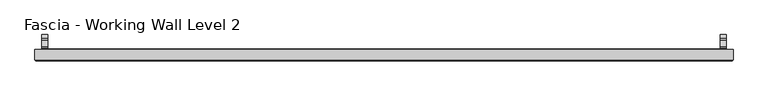
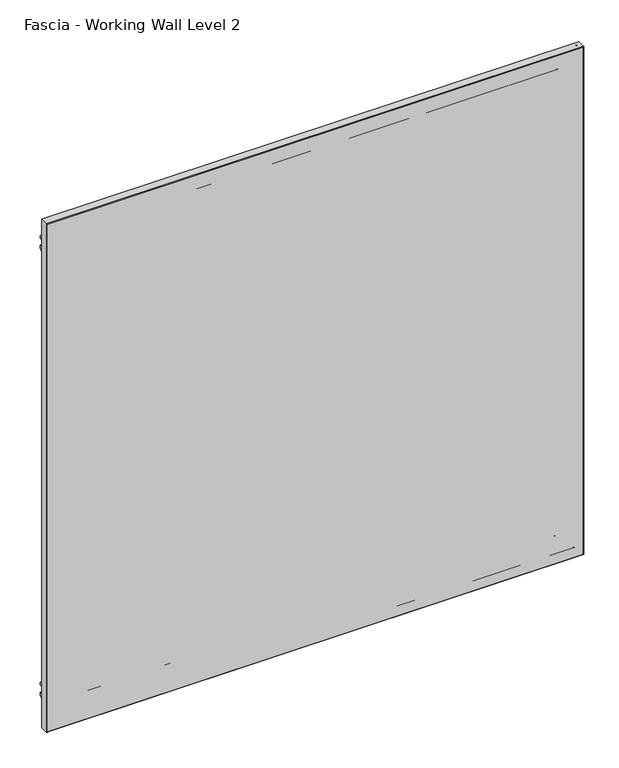
"""IFC4 building model written with IfcOpenShell, lengths in millimetres: proxy geometry, Fascia - Working Wall Level 2."""

from ifc_helpers import new_model, si_unit, point, frame, frame_2d, origin, place, context, project, spatial, polyline, circle_curve, ellipse_curve, trimmed, segment, composite_curve, outline, extrude, source, transform, mapped, element, save
from ifc_brep_helpers import plane_surface, cylinder_surface, advanced_brep


def fascia_working_wall_level_2_fad79d8a(model_context):
    return source(origin(), model_context, "Body", "SolidModel", [
        advanced_brep(
        [(-683.4234381, -8.52958, 1206.5), (-683.4234381, -25.995125, 1206.5), (521.8708632, -25.995125, 1206.5), (521.8708632, -8.52958, 1206.5), (521.8708632, -8.52958, 0.0), (521.8708632, -25.995125, 0.0), (-683.4234381, -25.995125, 0.0), (-683.4234381, -8.52958, 0.0), (520.2864081, -27.57958, 1204.915545), (-681.8389831, -27.57958, 1204.915545), (-681.8389831, -27.57958, 1.584455), (520.2864081, -27.57958, 1.584455)],
        [
            (0, 1),
            (1, 2),
            (2, 3),
            (3, 0),
            (4, 5),
            (5, 6),
            (6, 7),
            (7, 4),
            (6, 1),
            (0, 7),
            (3, 4),
            (2, 5),
            (8, 9),
            (9, 10),
            (10, 11),
            (11, 8),
            (2, 8, ellipse_curve(frame((520.2864081, -25.995125, 1204.915545), z_axis=(0.7071067811865475, 0.0, -0.7071067811865475), x_axis=(-0.7071067811865474, 0.0, -0.7071067811865476)), 2.2407578, 1.584455)),
            (11, 5, ellipse_curve(frame((520.2864081, -25.995125, 1.584455), z_axis=(0.7071067811865475, 0.0, 0.7071067811865475), x_axis=(0.7071067811865474, 0.0, -0.7071067811865476)), 2.2407578, 1.584455)),
            (10, 6, ellipse_curve(frame((-681.8389831, -25.995125, 1.584455), z_axis=(0.7071067811865475, 0.0, -0.7071067811865475), x_axis=(-0.7071067811865476, 0.0, -0.7071067811865474)), 2.2407578, 1.584455)),
            (9, 1, ellipse_curve(frame((-681.8389831, -25.995125, 1204.915545), z_axis=(-0.7071067811865475, 0.0, -0.7071067811865475), x_axis=(-0.7071067811865474, 0.0, 0.7071067811865476)), 2.2407578, 1.584455)),
        ],
        [
            plane_surface(frame((-80.7762875, 0.0, 1206.5), z_axis=(0.0, 0.0, 1.0), x_axis=(0.0, 1.0, 0.0))),
            plane_surface(frame((-80.7762875, 0.0, 0.0), z_axis=(0.0, 0.0, -1.0), x_axis=(0.0, 1.0, 0.0))),
            plane_surface(frame((-683.4234381, -27.57958, 1206.5), z_axis=(-1.0, 0.0, 0.0), x_axis=(0.0, 0.0, -1.0))),
            plane_surface(frame((-683.4234381, -8.52958, 1206.5), z_axis=(0.0, 1.0, 0.0), x_axis=(0.0, 0.0, -1.0))),
            plane_surface(frame((521.8708632, -8.52958, 1206.5), z_axis=(1.0, 0.0, 0.0), x_axis=(0.0, 0.0, -1.0))),
            plane_surface(frame((521.8708632, -27.57958, 1206.5), z_axis=(0.0, -1.0, 0.0), x_axis=(0.0, 0.0, -1.0))),
            cylinder_surface(frame((520.2864081, -25.995125, 1206.5), z_axis=(0.0, 0.0, -1.0), x_axis=(1.0, 0.0, 0.0)), 1.584455),
            cylinder_surface(frame((521.8708632, -25.995125, 1.584455), z_axis=(-1.0, 0.0, 0.0), x_axis=(0.0, 0.0, -1.0)), 1.584455),
            cylinder_surface(frame((-681.8389831, -25.995125, 0.0), z_axis=(0.0, 0.0, 1.0), x_axis=(-1.0, 0.0, 0.0)), 1.584455),
            cylinder_surface(frame((-683.4234381, -25.995125, 1204.915545), z_axis=(1.0, 0.0, 0.0), x_axis=(0.0, 0.0, 1.0)), 1.584455),
        ],
        [
            (0, [[1, 2, 3, 4]]),
            (1, [[5, 6, 7, 8]]),
            (2, [[-7, 9, -1, 10]]),
            (3, [[11, -8, -10, -4]]),
            (4, [[-3, 12, -5, -11]]),
            (5, [[13, 14, 15, 16]]),
            (6, [[-12, 17, -16, 18]]),
            (7, [[-15, 19, -6, -18]]),
            (8, [[-14, 20, -9, -19]]),
            (9, [[-2, -20, -13, -17]]),
        ],
    ),
        extrude(outline(polyline([(-613.8909381, -8.52958), (-613.8909381, -7.7479633), (452.3383632, -7.7479633), (452.3383632, -8.52958), (-613.8909381, -8.52958)])), frame((0.0, 0.0, 68.2878437), z_axis=(0.0, 0.0, 1.0), x_axis=(1.0, 0.0, 0.0)), (0.0, 0.0, 1.0), 1067.435),
        advanced_brep(
        [(-635.5925304, -9.1390123, 46.5862514), (474.0399555, -9.1390123, 46.5862514), (474.3093632, -8.26542, 46.3168437), (-635.8619381, -8.26542, 46.3168437), (-636.7663458, -10.3128277, 45.412436), (475.2137708, -10.3128277, 45.412436), (-629.6797458, -9.1390123, 52.499036), (468.1271708, -9.1390123, 52.499036), (466.9533555, -10.3128277, 53.6728514), (-628.5059304, -10.3128277, 53.6728514), (-629.4103381, -8.26542, 52.7684437), (467.8577632, -8.26542, 52.7684437), (-613.1289381, -9.40842, 69.0498437), (451.5763632, -9.40842, 69.0498437), (452.3383632, -8.26542, 68.2878437), (-613.8909381, -8.26542, 68.2878437), (-600.8099381, -16.52042, 81.3688437), (439.2573632, -16.52042, 81.3688437), (439.2573632, -9.40842, 81.3688437), (-600.8099381, -9.40842, 81.3688437), (-681.8359381, -9.78942, 0.3428437), (520.2833632, -9.78942, 0.3428437), (520.2833632, -16.52042, 0.3428437), (-681.8359381, -16.52042, 0.3428437), (-680.3119381, -8.26542, 1.8668437), (518.7593632, -8.26542, 1.8668437), (-678.2645304, -9.1390123, 3.9142514), (516.7119555, -9.1390123, 3.9142514), (516.9813632, -8.26542, 3.6448437), (-678.5339381, -8.26542, 3.6448437), (-679.4383458, -10.3128277, 2.740436), (517.8857708, -10.3128277, 2.740436), (-672.3517458, -9.1390123, 9.827036), (510.7991708, -9.1390123, 9.827036), (509.6253555, -10.3128277, 11.0008514), (-671.1779304, -10.3128277, 11.0008514), (-672.0823381, -8.26542, 10.0964437), (510.5297632, -8.26542, 10.0964437), (-667.1928381, -8.26542, 14.9859437), (505.6402632, -8.26542, 14.9859437), (507.1642632, -8.26542, 13.4619437), (-668.7168381, -8.26542, 13.4619437), (-661.2238381, -8.26542, 20.9549437), (499.6712632, -8.26542, 20.9549437), (502.0842632, -8.26542, 18.5419437), (-663.6368381, -8.26542, 18.5419437), (474.0399555, -9.1390123, 1157.424436), (474.3093632, -8.26542, 1157.6938437), (475.2137708, -10.3128277, 1158.5982514), (468.1271708, -9.1390123, 1151.5116514), (466.9533555, -10.3128277, 1150.337836), (467.8577632, -8.26542, 1151.2422437), (451.5763632, -9.40842, 1134.9608437), (452.3383632, -8.26542, 1135.7228437), (439.2573632, -16.52042, 1122.6418437), (439.2573632, -9.40842, 1122.6418437), (520.2833632, -9.78942, 1203.6678437), (520.2833632, -16.52042, 1203.6678437), (518.7593632, -8.26542, 1202.1438437), (516.7119555, -9.1390123, 1200.096436), (516.9813632, -8.26542, 1200.3658437), (517.8857708, -10.3128277, 1201.2702514), (510.7991708, -9.1390123, 1194.1836514), (509.6253555, -10.3128277, 1193.009836), (510.5297632, -8.26542, 1193.9142437), (505.6402632, -8.26542, 1189.0247437), (507.1642632, -8.26542, 1190.5487437), (499.6712632, -8.26542, 1183.0557437), (502.0842632, -8.26542, 1185.4687437), (-635.5925304, -9.1390123, 1157.424436), (-635.8619381, -8.26542, 1157.6938437), (-636.7663458, -10.3128277, 1158.5982514), (-629.6797458, -9.1390123, 1151.5116514), (-628.5059304, -10.3128277, 1150.337836), (-629.4103381, -8.26542, 1151.2422437), (-613.1289381, -9.40842, 1134.9608437), (-613.8909381, -8.26542, 1135.7228437), (-600.8099381, -16.52042, 1122.6418437), (-600.8099381, -9.40842, 1122.6418437), (-681.8359381, -9.78942, 1203.6678437), (-681.8359381, -16.52042, 1203.6678437), (-680.3119381, -8.26542, 1202.1438437), (-678.2645304, -9.1390123, 1200.096436), (-678.5339381, -8.26542, 1200.3658437), (-679.4383458, -10.3128277, 1201.2702514), (-672.3517458, -9.1390123, 1194.1836514), (-671.1779304, -10.3128277, 1193.009836), (-672.0823381, -8.26542, 1193.9142437), (-667.1928381, -8.26542, 1189.0247437), (-668.7168381, -8.26542, 1190.5487437), (-661.2238381, -8.26542, 1183.0557437), (-663.6368381, -8.26542, 1185.4687437)],
        [
            (0, 1),
            (1, 2, ellipse_curve(frame((474.4055478, -8.77342, 46.220659), z_axis=(-0.7071067811865475, 0.0, -0.7071067811865475), x_axis=(-0.7071067811865476, 0.0, 0.7071067811865474)), 0.7311846, 0.5170256)),
            (2, 3),
            (3, 0, ellipse_curve(frame((-635.9581228, -8.77342, 46.220659), z_axis=(0.7071067811865475, 0.0, -0.7071067811865475), x_axis=(-0.7071067811865476, 0.0, -0.7071067811865474)), 0.7311846, 0.5170256)),
            (4, 5),
            (5, 1),
            (0, 4),
            (6, 7),
            (7, 8),
            (8, 9),
            (9, 6),
            (10, 11),
            (11, 7, ellipse_curve(frame((467.7615785, -8.77342, 52.8646283), z_axis=(-0.7071067811865475, 0.0, -0.7071067811865475), x_axis=(-0.7071067811865476, 0.0, 0.7071067811865474)), 0.7311846, 0.5170256)),
            (6, 10, ellipse_curve(frame((-629.3141535, -8.77342, 52.8646283), z_axis=(0.7071067811865475, 0.0, -0.7071067811865475), x_axis=(-0.7071067811865476, 0.0, -0.7071067811865474)), 0.7311846, 0.5170256)),
            (12, 13),
            (13, 14),
            (14, 15),
            (15, 12),
            (16, 17),
            (17, 18),
            (18, 19),
            (19, 16),
            (20, 21),
            (21, 22),
            (22, 23),
            (23, 20),
            (24, 25),
            (25, 21),
            (20, 24),
            (26, 27),
            (27, 28, ellipse_curve(frame((517.0775478, -8.77342, 3.548659), z_axis=(-0.7071067811865475, 0.0, -0.7071067811865475), x_axis=(-0.7071067811865476, 0.0, 0.7071067811865474)), 0.7311846, 0.5170256)),
            (28, 29),
            (29, 26, ellipse_curve(frame((-678.6301228, -8.77342, 3.548659), z_axis=(0.7071067811865475, 0.0, -0.7071067811865475), x_axis=(-0.7071067811865476, 0.0, -0.7071067811865474)), 0.7311846, 0.5170256)),
            (30, 31),
            (31, 27),
            (26, 30),
            (32, 33),
            (33, 34),
            (34, 35),
            (35, 32),
            (36, 37),
            (37, 33, ellipse_curve(frame((510.4335785, -8.77342, 10.1926283), z_axis=(-0.7071067811865475, 0.0, -0.7071067811865475), x_axis=(-0.7071067811865476, 0.0, 0.7071067811865474)), 0.7311846, 0.5170256)),
            (32, 36, ellipse_curve(frame((-671.9861535, -8.77342, 10.1926283), z_axis=(0.7071067811865475, 0.0, -0.7071067811865475), x_axis=(-0.7071067811865476, 0.0, -0.7071067811865474)), 0.7311846, 0.5170256)),
            (38, 39),
            (39, 40, ellipse_curve(frame((506.4022632, -8.26542, 14.2239437), z_axis=(-0.7071067811865475, 0.0, -0.7071067811865475), x_axis=(-0.7071067811865476, 0.0, 0.7071067811865474)), 1.0776307, 0.762)),
            (40, 41),
            (41, 38, ellipse_curve(frame((-667.9548381, -8.26542, 14.2239437), z_axis=(0.7071067811865475, 0.0, -0.7071067811865475), x_axis=(-0.7071067811865476, 0.0, -0.7071067811865474)), 1.0776307, 0.762)),
            (42, 43),
            (43, 44, ellipse_curve(frame((500.8777632, -8.9837931, 19.7484437), z_axis=(-0.7071067811865475, 0.0, -0.7071067811865475), x_axis=(-0.7071067811865476, 0.0, 0.7071067811865474)), 1.9858007, 1.4041731)),
            (44, 45),
            (45, 42, ellipse_curve(frame((-662.4303381, -8.9837931, 19.7484437), z_axis=(0.7071067811865475, 0.0, -0.7071067811865475), x_axis=(-0.7071067811865476, 0.0, -0.7071067811865474)), 1.9858007, 1.4041731)),
            (1, 46),
            (46, 47, ellipse_curve(frame((474.4055478, -8.77342, 1157.7900283), z_axis=(0.7071067811865475, 0.0, -0.7071067811865475), x_axis=(-0.7071067811865474, 0.0, -0.7071067811865476)), 0.7311846, 0.5170256)),
            (47, 2),
            (5, 48),
            (48, 46),
            (7, 49),
            (49, 50),
            (50, 8),
            (11, 51),
            (51, 49, ellipse_curve(frame((467.7615785, -8.77342, 1151.146059), z_axis=(0.7071067811865475, 0.0, -0.7071067811865475), x_axis=(-0.7071067811865474, 0.0, -0.7071067811865476)), 0.7311846, 0.5170256)),
            (13, 52),
            (52, 53),
            (53, 14),
            (17, 54),
            (54, 55),
            (55, 18),
            (21, 56),
            (56, 57),
            (57, 22),
            (25, 58),
            (58, 56),
            (27, 59),
            (59, 60, ellipse_curve(frame((517.0775478, -8.77342, 1200.4620283), z_axis=(0.7071067811865475, 0.0, -0.7071067811865475), x_axis=(-0.7071067811865474, 0.0, -0.7071067811865476)), 0.7311846, 0.5170256)),
            (60, 28),
            (31, 61),
            (61, 59),
            (33, 62),
            (62, 63),
            (63, 34),
            (37, 64),
            (64, 62, ellipse_curve(frame((510.4335785, -8.77342, 1193.818059), z_axis=(0.7071067811865475, 0.0, -0.7071067811865475), x_axis=(-0.7071067811865474, 0.0, -0.7071067811865476)), 0.7311846, 0.5170256)),
            (39, 65),
            (65, 66, ellipse_curve(frame((506.4022632, -8.26542, 1189.7867437), z_axis=(0.7071067811865475, 0.0, -0.7071067811865475), x_axis=(-0.7071067811865474, 0.0, -0.7071067811865476)), 1.0776307, 0.762)),
            (66, 40),
            (43, 67),
            (67, 68, ellipse_curve(frame((500.8777632, -8.9837931, 1184.2622437), z_axis=(0.7071067811865475, 0.0, -0.7071067811865475), x_axis=(-0.7071067811865474, 0.0, -0.7071067811865476)), 1.9858007, 1.4041731)),
            (68, 44),
            (46, 69),
            (69, 70, ellipse_curve(frame((-635.9581228, -8.77342, 1157.7900283), z_axis=(0.7071067811865475, 0.0, 0.7071067811865475), x_axis=(0.7071067811865476, 0.0, -0.7071067811865474)), 0.7311846, 0.5170256)),
            (70, 47),
            (48, 71),
            (71, 69),
            (49, 72),
            (72, 73),
            (73, 50),
            (51, 74),
            (74, 72, ellipse_curve(frame((-629.3141535, -8.77342, 1151.146059), z_axis=(0.7071067811865475, 0.0, 0.7071067811865475), x_axis=(0.7071067811865476, 0.0, -0.7071067811865474)), 0.7311846, 0.5170256)),
            (52, 75),
            (75, 76),
            (76, 53),
            (54, 77),
            (77, 78),
            (78, 55),
            (56, 79),
            (79, 80),
            (80, 57),
            (58, 81),
            (81, 79),
            (59, 82),
            (82, 83, ellipse_curve(frame((-678.6301228, -8.77342, 1200.4620283), z_axis=(0.7071067811865475, 0.0, 0.7071067811865475), x_axis=(0.7071067811865476, 0.0, -0.7071067811865474)), 0.7311846, 0.5170256)),
            (83, 60),
            (61, 84),
            (84, 82),
            (62, 85),
            (85, 86),
            (86, 63),
            (64, 87),
            (87, 85, ellipse_curve(frame((-671.9861535, -8.77342, 1193.818059), z_axis=(0.7071067811865475, 0.0, 0.7071067811865475), x_axis=(0.7071067811865476, 0.0, -0.7071067811865474)), 0.7311846, 0.5170256)),
            (65, 88),
            (88, 89, ellipse_curve(frame((-667.9548381, -8.26542, 1189.7867437), z_axis=(0.7071067811865475, 0.0, 0.7071067811865475), x_axis=(0.7071067811865476, 0.0, -0.7071067811865474)), 1.0776307, 0.762)),
            (89, 66),
            (67, 90),
            (90, 91, ellipse_curve(frame((-662.4303381, -8.9837931, 1184.2622437), z_axis=(0.7071067811865475, 0.0, 0.7071067811865475), x_axis=(0.7071067811865476, 0.0, -0.7071067811865474)), 1.9858007, 1.4041731)),
            (91, 68),
            (42, 90),
            (70, 3),
            (69, 0),
            (71, 4),
            (73, 9),
            (72, 6),
            (74, 10),
            (76, 15),
            (75, 12),
            (78, 19),
            (77, 16),
            (80, 23),
            (79, 20),
            (81, 24),
            (83, 29),
            (82, 26),
            (84, 30),
            (86, 35),
            (85, 32),
            (87, 36),
            (89, 41),
            (88, 38),
            (91, 45),
        ],
        [
            cylinder_surface(frame((-600.8099381, -8.77342, 46.220659), z_axis=(-1.0, 0.0, 0.0), x_axis=(0.0, 0.0, 1.0)), 0.5170256),
            plane_surface(frame((-635.5925304, -9.1390123, 46.5862514), z_axis=(0.0, -0.7071067813015448, 0.7071067810715502), x_axis=(1.0, 0.0, 0.0))),
            plane_surface(frame((-628.5059304, -10.3128277, 53.6728514), z_axis=(0.0, -0.7071067813016149, -0.7071067810714802), x_axis=(1.0, 0.0, 0.0))),
            cylinder_surface(frame((-600.8099381, -8.77342, 52.8646283), z_axis=(-1.0, 0.0, 0.0), x_axis=(0.0, 0.0, 1.0)), 0.5170256),
            plane_surface(frame((-613.8909381, -8.26542, 68.2878437), z_axis=(0.0, 0.5547001959766814, 0.8320502945035422), x_axis=(1.0, 0.0, 0.0))),
            plane_surface(frame((-600.8099381, -9.40842, 81.3688437), z_axis=(0.0, 0.0, 1.0), x_axis=(1.0, 0.0, 0.0))),
            plane_surface(frame((-681.8359381, -16.52042, 0.3428437), z_axis=(0.0, 0.0, -1.0), x_axis=(1.0, 0.0, 0.0))),
            plane_surface(frame((-681.8359381, -9.78942, 0.3428437), z_axis=(0.0, 0.7071067810149474, -0.7071067813581478), x_axis=(1.0, 0.0, 0.0))),
            cylinder_surface(frame((-600.8099381, -8.77342, 3.548659), z_axis=(-1.0, 0.0, 0.0), x_axis=(0.0, 0.0, 1.0)), 0.5170256),
            plane_surface(frame((-678.2645304, -9.1390123, 3.9142514), z_axis=(0.0, -0.7071067811139597, 0.7071067812591354), x_axis=(1.0, 0.0, 0.0))),
            plane_surface(frame((-671.1779304, -10.3128277, 11.0008514), z_axis=(0.0, -0.7071067811880297, -0.7071067811850653), x_axis=(1.0, 0.0, 0.0))),
            cylinder_surface(frame((-600.8099381, -8.77342, 10.1926283), z_axis=(-1.0, 0.0, 0.0), x_axis=(0.0, 0.0, 1.0)), 0.5170256),
            cylinder_surface(frame((-600.8099381, -8.26542, 14.2239437), z_axis=(-1.0, 0.0, 0.0), x_axis=(0.0, 0.0, 1.0)), 0.762),
            cylinder_surface(frame((-600.8099381, -8.9837931, 19.7484437), z_axis=(-1.0, 0.0, 0.0), x_axis=(0.0, 0.0, 1.0)), 1.4041731),
            cylinder_surface(frame((474.4055478, -8.77342, 81.3688437), z_axis=(0.0, 0.0, -1.0), x_axis=(-1.0, 0.0, 0.0)), 0.5170256),
            plane_surface(frame((474.0399555, -9.1390123, 46.5862514), z_axis=(-0.7071067810715405, -0.7071067813015546, 0.0), x_axis=(0.0, 0.0, 1.0))),
            plane_surface(frame((466.9533555, -10.3128277, 53.6728514), z_axis=(0.7071067810714899, -0.7071067813016051, 0.0), x_axis=(0.0, 0.0, 1.0))),
            cylinder_surface(frame((467.7615785, -8.77342, 81.3688437), z_axis=(0.0, 0.0, -1.0), x_axis=(-1.0, 0.0, 0.0)), 0.5170256),
            plane_surface(frame((452.3383632, -8.26542, 68.2878437), z_axis=(-0.8320502945035498, 0.5547001959766699, 0.0), x_axis=(0.0, 0.0, 1.0))),
            plane_surface(frame((439.2573632, -9.40842, 81.3688437), z_axis=(-1.0, 0.0, 0.0), x_axis=(0.0, 0.0, 1.0))),
            plane_surface(frame((520.2833632, -16.52042, 0.3428437), z_axis=(1.0, 0.0, 0.0), x_axis=(0.0, 0.0, 1.0))),
            plane_surface(frame((520.2833632, -9.78942, 0.3428437), z_axis=(0.707106781358138, 0.7071067810149572, 0.0), x_axis=(0.0, 0.0, 1.0))),
            cylinder_surface(frame((517.0775478, -8.77342, 81.3688437), z_axis=(0.0, 0.0, -1.0), x_axis=(-1.0, 0.0, 0.0)), 0.5170256),
            plane_surface(frame((516.7119555, -9.1390123, 3.9142514), z_axis=(-0.7071067812591256, -0.7071067811139695, 0.0), x_axis=(0.0, 0.0, 1.0))),
            plane_surface(frame((509.6253555, -10.3128277, 11.0008514), z_axis=(0.7071067811850751, -0.70710678118802, 0.0), x_axis=(0.0, 0.0, 1.0))),
            cylinder_surface(frame((510.4335785, -8.77342, 81.3688437), z_axis=(0.0, 0.0, -1.0), x_axis=(-1.0, 0.0, 0.0)), 0.5170256),
            cylinder_surface(frame((506.4022632, -8.26542, 81.3688437), z_axis=(0.0, 0.0, -1.0), x_axis=(-1.0, 0.0, 0.0)), 0.762),
            cylinder_surface(frame((500.8777632, -8.9837931, 81.3688437), z_axis=(0.0, 0.0, -1.0), x_axis=(-1.0, 0.0, 0.0)), 1.4041731),
            cylinder_surface(frame((439.2573632, -8.77342, 1157.7900283), z_axis=(1.0, 0.0, 0.0), x_axis=(0.0, 0.0, -1.0)), 0.5170256),
            plane_surface(frame((474.0399555, -9.1390123, 1157.424436), z_axis=(0.0, -0.7071067813015643, -0.7071067810715307), x_axis=(-1.0, 0.0, 0.0))),
            plane_surface(frame((466.9533555, -10.3128277, 1150.337836), z_axis=(0.0, -0.7071067813015953, 0.7071067810714997), x_axis=(-1.0, 0.0, 0.0))),
            cylinder_surface(frame((439.2573632, -8.77342, 1151.146059), z_axis=(1.0, 0.0, 0.0), x_axis=(0.0, 0.0, -1.0)), 0.5170256),
            plane_surface(frame((452.3383632, -8.26542, 1135.7228437), z_axis=(0.0, 0.5547001959766583, -0.8320502945035575), x_axis=(-1.0, 0.0, 0.0))),
            plane_surface(frame((439.2573632, -9.40842, 1122.6418437), z_axis=(0.0, 0.0, -1.0), x_axis=(-1.0, 0.0, 0.0))),
            plane_surface(frame((520.2833632, -16.52042, 1203.6678437), z_axis=(0.0, 0.0, 1.0), x_axis=(-1.0, 0.0, 0.0))),
            plane_surface(frame((520.2833632, -9.78942, 1203.6678437), z_axis=(0.0, 0.7071067810149669, 0.7071067813581282), x_axis=(-1.0, 0.0, 0.0))),
            cylinder_surface(frame((439.2573632, -8.77342, 1200.4620283), z_axis=(1.0, 0.0, 0.0), x_axis=(0.0, 0.0, -1.0)), 0.5170256),
            plane_surface(frame((516.7119555, -9.1390123, 1200.096436), z_axis=(0.0, -0.7071067811139793, -0.7071067812591159), x_axis=(-1.0, 0.0, 0.0))),
            plane_surface(frame((509.6253555, -10.3128277, 1193.009836), z_axis=(0.0, -0.7071067811880102, 0.7071067811850849), x_axis=(-1.0, 0.0, 0.0))),
            cylinder_surface(frame((439.2573632, -8.77342, 1193.818059), z_axis=(1.0, 0.0, 0.0), x_axis=(0.0, 0.0, -1.0)), 0.5170256),
            cylinder_surface(frame((439.2573632, -8.26542, 1189.7867437), z_axis=(1.0, 0.0, 0.0), x_axis=(0.0, 0.0, -1.0)), 0.762),
            cylinder_surface(frame((439.2573632, -8.9837931, 1184.2622437), z_axis=(1.0, 0.0, 0.0), x_axis=(0.0, 0.0, -1.0)), 1.4041731),
            plane_surface(frame((-661.2238381, -8.26542, 1183.0557437), z_axis=(0.0, 1.0, 0.0), x_axis=(0.0, 0.0, -1.0))),
            cylinder_surface(frame((-635.9581228, -8.77342, 1122.6418437), z_axis=(0.0, 0.0, 1.0), x_axis=(1.0, 0.0, 0.0)), 0.5170256),
            plane_surface(frame((-635.5925304, -9.1390123, 1157.424436), z_axis=(0.7071067810715405, -0.7071067813015546, 0.0), x_axis=(0.0, 0.0, -1.0))),
            plane_surface(frame((-636.7663458, -10.3128277, 1158.5982514), z_axis=(0.0, 1.0, 0.0), x_axis=(0.0, 0.0, -1.0))),
            plane_surface(frame((-628.5059304, -10.3128277, 1150.337836), z_axis=(-0.7071067810714899, -0.7071067813016051, 0.0), x_axis=(0.0, 0.0, -1.0))),
            cylinder_surface(frame((-629.3141535, -8.77342, 1122.6418437), z_axis=(0.0, 0.0, 1.0), x_axis=(1.0, 0.0, 0.0)), 0.5170256),
            plane_surface(frame((-629.4103381, -8.26542, 1151.2422437), z_axis=(0.0, 1.0, 0.0), x_axis=(0.0, 0.0, -1.0))),
            plane_surface(frame((-613.8909381, -8.26542, 1135.7228437), z_axis=(0.8320502945035498, 0.5547001959766699, 0.0), x_axis=(0.0, 0.0, -1.0))),
            plane_surface(frame((-613.1289381, -9.40842, 1134.9608437), z_axis=(0.0, 1.0, 0.0), x_axis=(0.0, 0.0, -1.0))),
            plane_surface(frame((-600.8099381, -9.40842, 1122.6418437), z_axis=(1.0, 0.0, 0.0), x_axis=(0.0, 0.0, -1.0))),
            plane_surface(frame((-600.8099381, -16.52042, 1122.6418437), z_axis=(0.0, -1.0, 0.0), x_axis=(0.0, 0.0, -1.0))),
            plane_surface(frame((-681.8359381, -16.52042, 1203.6678437), z_axis=(-1.0, 0.0, 0.0), x_axis=(0.0, 0.0, -1.0))),
            plane_surface(frame((-681.8359381, -9.78942, 1203.6678437), z_axis=(-0.707106781358138, 0.7071067810149572, 0.0), x_axis=(0.0, 0.0, -1.0))),
            plane_surface(frame((-680.3119381, -8.26542, 1202.1438437), z_axis=(0.0, 1.0, 0.0), x_axis=(0.0, 0.0, -1.0))),
            cylinder_surface(frame((-678.6301228, -8.77342, 1122.6418437), z_axis=(0.0, 0.0, 1.0), x_axis=(1.0, 0.0, 0.0)), 0.5170256),
            plane_surface(frame((-678.2645304, -9.1390123, 1200.096436), z_axis=(0.7071067812591256, -0.7071067811139695, 0.0), x_axis=(0.0, 0.0, -1.0))),
            plane_surface(frame((-679.4383458, -10.3128277, 1201.2702514), z_axis=(0.0, 1.0, 0.0), x_axis=(0.0, 0.0, -1.0))),
            plane_surface(frame((-671.1779304, -10.3128277, 1193.009836), z_axis=(-0.7071067811850751, -0.70710678118802, 0.0), x_axis=(0.0, 0.0, -1.0))),
            cylinder_surface(frame((-671.9861535, -8.77342, 1122.6418437), z_axis=(0.0, 0.0, 1.0), x_axis=(1.0, 0.0, 0.0)), 0.5170256),
            plane_surface(frame((-672.0823381, -8.26542, 1193.9142437), z_axis=(0.0, 1.0, 0.0), x_axis=(0.0, 0.0, -1.0))),
            cylinder_surface(frame((-667.9548381, -8.26542, 1122.6418437), z_axis=(0.0, 0.0, 1.0), x_axis=(1.0, 0.0, 0.0)), 0.762),
            plane_surface(frame((-667.1928381, -8.26542, 1189.0247437), z_axis=(0.0, 1.0, 0.0), x_axis=(0.0, 0.0, -1.0))),
            cylinder_surface(frame((-662.4303381, -8.9837931, 1122.6418437), z_axis=(0.0, 0.0, 1.0), x_axis=(1.0, 0.0, 0.0)), 1.4041731),
        ],
        [
            (0, [[1, 2, 3, 4]]),
            (1, [[5, 6, -1, 7]]),
            (2, [[8, 9, 10, 11]]),
            (3, [[12, 13, -8, 14]]),
            (4, [[15, 16, 17, 18]]),
            (5, [[19, 20, 21, 22]]),
            (6, [[23, 24, 25, 26]]),
            (7, [[27, 28, -23, 29]]),
            (8, [[30, 31, 32, 33]]),
            (9, [[34, 35, -30, 36]]),
            (10, [[37, 38, 39, 40]]),
            (11, [[41, 42, -37, 43]]),
            (12, [[44, 45, 46, 47]]),
            (13, [[48, 49, 50, 51]]),
            (14, [[52, 53, 54, -2]]),
            (15, [[55, 56, -52, -6]]),
            (16, [[57, 58, 59, -9]]),
            (17, [[60, 61, -57, -13]]),
            (18, [[62, 63, 64, -16]]),
            (19, [[65, 66, 67, -20]]),
            (20, [[68, 69, 70, -24]]),
            (21, [[71, 72, -68, -28]]),
            (22, [[73, 74, 75, -31]]),
            (23, [[76, 77, -73, -35]]),
            (24, [[78, 79, 80, -38]]),
            (25, [[81, 82, -78, -42]]),
            (26, [[83, 84, 85, -45]]),
            (27, [[86, 87, 88, -49]]),
            (28, [[89, 90, 91, -53]]),
            (29, [[92, 93, -89, -56]]),
            (30, [[94, 95, 96, -58]]),
            (31, [[97, 98, -94, -61]]),
            (32, [[99, 100, 101, -63]]),
            (33, [[102, 103, 104, -66]]),
            (34, [[105, 106, 107, -69]]),
            (35, [[108, 109, -105, -72]]),
            (36, [[110, 111, 112, -74]]),
            (37, [[113, 114, -110, -77]]),
            (38, [[115, 116, 117, -79]]),
            (39, [[118, 119, -115, -82]]),
            (40, [[120, 121, 122, -84]]),
            (41, [[123, 124, 125, -87]]),
            (42, [[-48, 126, -123, -86], [-3, -54, -91, 127]]),
            (43, [[128, -4, -127, -90]]),
            (44, [[129, -7, -128, -93]]),
            (45, [[-5, -129, -92, -55], [-10, -59, -96, 130]]),
            (46, [[131, -11, -130, -95]]),
            (47, [[132, -14, -131, -98]]),
            (48, [[-12, -132, -97, -60], [-17, -64, -101, 133]]),
            (49, [[134, -18, -133, -100]]),
            (50, [[-15, -134, -99, -62], [-21, -67, -104, 135]]),
            (51, [[136, -22, -135, -103]]),
            (52, [[-25, -70, -107, 137], [-19, -136, -102, -65]]),
            (53, [[138, -26, -137, -106]]),
            (54, [[139, -29, -138, -109]]),
            (55, [[-27, -139, -108, -71], [-32, -75, -112, 140]]),
            (56, [[141, -33, -140, -111]]),
            (57, [[142, -36, -141, -114]]),
            (58, [[-34, -142, -113, -76], [-39, -80, -117, 143]]),
            (59, [[144, -40, -143, -116]]),
            (60, [[145, -43, -144, -119]]),
            (61, [[-41, -145, -118, -81], [-46, -85, -122, 146]]),
            (62, [[147, -47, -146, -121]]),
            (63, [[-44, -147, -120, -83], [-50, -88, -125, 148]]),
            (64, [[-126, -51, -148, -124]]),
        ],
    ),
        extrude(outline(composite_curve([segment(trimmed(circle_curve(frame_2d((2.969762, 1105.9650068)), 8.9999998), [point((8.6264069, 1112.9651757))], [point((-2.6868829, 1112.9651757))], True, "CARTESIAN"), True, "CONTINUOUS"), segment(polyline([(-2.6868829, 1112.9651757), (-6.03022, 1112.9651757), (-6.03022, 1096.2667077), (-9.02742, 1096.2667077), (-9.02742, 1170.6633077), (-6.03022, 1170.6633077), (-6.03022, 1153.9648397), (-2.6868829, 1153.9648397)]), True, "CONTINUOUS"), segment(trimmed(circle_curve(frame_2d((2.969762, 1160.9650086)), 8.9999998), [point((-2.6868829, 1153.9648397))], [point((8.6264069, 1153.9648397))], True, "CARTESIAN"), True, "CONTINUOUS"), segment(polyline([(8.6264069, 1153.9648397), (11.464792, 1153.9648397), (17.46478, 1147.9648517), (17.46478, 1141.9650085), (3.517907, 1139.8943968)]), True, "CONTINUOUS"), segment(trimmed(circle_curve(frame_2d((4.4724412, 1133.4650077)), 6.49986), [point((3.517907, 1139.8943968))], [point((3.517907, 1127.0356186))], True, "CARTESIAN"), True, "CONTINUOUS"), segment(polyline([(3.517907, 1127.0356186), (17.46478, 1124.9650069), (17.46478, 1118.9651637), (11.464792, 1112.9651757), (8.6264069, 1112.9651757)]), True, "CONTINUOUS")], self_intersect=False), holes=[composite_curve([segment(trimmed(circle_curve(frame_2d((7.48258, 1119.9650077)), 2.7813), [point((10.26388, 1119.9650077))], [point((4.70128, 1119.9650077))], True, "CARTESIAN"), True, "CONTINUOUS"), segment(trimmed(circle_curve(frame_2d((7.48258, 1119.9650077)), 2.7813), [point((4.70128, 1119.9650077))], [point((10.26388, 1119.9650077))], True, "CARTESIAN"), True, "CONTINUOUS")], self_intersect=False), composite_curve([segment(trimmed(circle_curve(frame_2d((7.48258, 1146.9650077)), 2.7813), [point((10.26388, 1146.9650077))], [point((4.70128, 1146.9650077))], True, "CARTESIAN"), True, "CONTINUOUS"), segment(trimmed(circle_curve(frame_2d((7.48258, 1146.9650077)), 2.7813), [point((4.70128, 1146.9650077))], [point((10.26388, 1146.9650077))], True, "CARTESIAN"), True, "CONTINUOUS")], self_intersect=False)]), frame((500.1284632, 0.0, 0.0), z_axis=(1.0, 0.0, 0.0), x_axis=(0.0, 1.0, 0.0)), (0.0, 0.0, 1.0), 10.0076),
        extrude(outline(composite_curve([segment(trimmed(circle_curve(frame_2d((2.969762, 45.5349914)), 8.9999998), [point((8.6264069, 52.5351603))], [point((-2.6868829, 52.5351603))], True, "CARTESIAN"), True, "CONTINUOUS"), segment(polyline([(-2.6868829, 52.5351603), (-6.03022, 52.5351603), (-6.03022, 35.8366923), (-9.02742, 35.8366923), (-9.02742, 110.2332923), (-6.03022, 110.2332923), (-6.03022, 93.5348243), (-2.6868829, 93.5348243)]), True, "CONTINUOUS"), segment(trimmed(circle_curve(frame_2d((2.969762, 100.5349932)), 8.9999998), [point((-2.6868829, 93.5348243))], [point((8.6264069, 93.5348243))], True, "CARTESIAN"), True, "CONTINUOUS"), segment(polyline([(8.6264069, 93.5348243), (11.464792, 93.5348243), (17.46478, 87.5348363), (17.46478, 81.5349931), (3.517907, 79.4643814)]), True, "CONTINUOUS"), segment(trimmed(circle_curve(frame_2d((4.4724412, 73.0349923)), 6.49986), [point((3.517907, 79.4643814))], [point((3.517907, 66.6056032))], True, "CARTESIAN"), True, "CONTINUOUS"), segment(polyline([(3.517907, 66.6056032), (17.46478, 64.5349915), (17.46478, 58.5351483), (11.464792, 52.5351603), (8.6264069, 52.5351603)]), True, "CONTINUOUS")], self_intersect=False), holes=[composite_curve([segment(trimmed(circle_curve(frame_2d((7.48258, 59.5349923)), 2.7813), [point((10.26388, 59.5349923))], [point((4.70128, 59.5349923))], True, "CARTESIAN"), True, "CONTINUOUS"), segment(trimmed(circle_curve(frame_2d((7.48258, 59.5349923)), 2.7813), [point((4.70128, 59.5349923))], [point((10.26388, 59.5349923))], True, "CARTESIAN"), True, "CONTINUOUS")], self_intersect=False), composite_curve([segment(trimmed(circle_curve(frame_2d((7.48258, 86.5349923)), 2.7813), [point((10.26388, 86.5349923))], [point((4.70128, 86.5349923))], True, "CARTESIAN"), True, "CONTINUOUS"), segment(trimmed(circle_curve(frame_2d((7.48258, 86.5349923)), 2.7813), [point((4.70128, 86.5349923))], [point((10.26388, 86.5349923))], True, "CARTESIAN"), True, "CONTINUOUS")], self_intersect=False)]), frame((500.1284632, 0.0, 0.0), z_axis=(1.0, 0.0, 0.0), x_axis=(0.0, 1.0, 0.0)), (0.0, 0.0, 1.0), 10.0076),
        extrude(outline(composite_curve([segment(polyline([(-6.03022, 1170.6633077), (-6.03022, 1153.9648397), (-2.6868829, 1153.9648397)]), True, "CONTINUOUS"), segment(trimmed(circle_curve(frame_2d((2.969762, 1160.9650086)), 8.9999998), [point((-2.6868829, 1153.9648397))], [point((8.6264069, 1153.9648397))], True, "CARTESIAN"), True, "CONTINUOUS"), segment(polyline([(8.6264069, 1153.9648397), (11.464792, 1153.9648397), (17.46478, 1147.9648517), (17.46478, 1141.9650085), (3.517907, 1139.8943968)]), True, "CONTINUOUS"), segment(trimmed(circle_curve(frame_2d((4.4724412, 1133.4650077)), 6.49986), [point((3.517907, 1139.8943968))], [point((3.517907, 1127.0356186))], True, "CARTESIAN"), True, "CONTINUOUS"), segment(polyline([(3.517907, 1127.0356186), (17.46478, 1124.9650069), (17.46478, 1118.9651637), (11.464792, 1112.9651757), (8.6264069, 1112.9651757)]), True, "CONTINUOUS"), segment(trimmed(circle_curve(frame_2d((2.969762, 1105.9650068)), 8.9999998), [point((8.6264069, 1112.9651757))], [point((-2.6868829, 1112.9651757))], True, "CARTESIAN"), True, "CONTINUOUS"), segment(polyline([(-2.6868829, 1112.9651757), (-6.03022, 1112.9651757), (-6.03022, 1096.2667077), (-9.02742, 1096.2667077), (-9.02742, 1170.6633077), (-6.03022, 1170.6633077)]), True, "CONTINUOUS")], self_intersect=False), holes=[composite_curve([segment(trimmed(circle_curve(frame_2d((7.48258, 1119.9650077)), 2.7813), [point((10.26388, 1119.9650077))], [point((4.70128, 1119.9650077))], True, "CARTESIAN"), True, "CONTINUOUS"), segment(trimmed(circle_curve(frame_2d((7.48258, 1119.9650077)), 2.7813), [point((4.70128, 1119.9650077))], [point((10.26388, 1119.9650077))], True, "CARTESIAN"), True, "CONTINUOUS")], self_intersect=False), composite_curve([segment(trimmed(circle_curve(frame_2d((7.48258, 1146.9650077)), 2.7813), [point((10.26388, 1146.9650077))], [point((4.70128, 1146.9650077))], True, "CARTESIAN"), True, "CONTINUOUS"), segment(trimmed(circle_curve(frame_2d((7.48258, 1146.9650077)), 2.7813), [point((4.70128, 1146.9650077))], [point((10.26388, 1146.9650077))], True, "CARTESIAN"), True, "CONTINUOUS")], self_intersect=False)]), frame((-671.6886381, 0.0, 0.0), z_axis=(1.0, 0.0, 0.0), x_axis=(0.0, 1.0, 0.0)), (0.0, 0.0, 1.0), 10.0076),
        extrude(outline(composite_curve([segment(polyline([(-6.03022, 110.2332923), (-6.03022, 93.5348243), (-2.6868829, 93.5348243)]), True, "CONTINUOUS"), segment(trimmed(circle_curve(frame_2d((2.969762, 100.5349932)), 8.9999998), [point((-2.6868829, 93.5348243))], [point((8.6264069, 93.5348243))], True, "CARTESIAN"), True, "CONTINUOUS"), segment(polyline([(8.6264069, 93.5348243), (11.464792, 93.5348243), (17.46478, 87.5348363), (17.46478, 81.5349931), (3.517907, 79.4643814)]), True, "CONTINUOUS"), segment(trimmed(circle_curve(frame_2d((4.4724412, 73.0349923)), 6.49986), [point((3.517907, 79.4643814))], [point((3.517907, 66.6056032))], True, "CARTESIAN"), True, "CONTINUOUS"), segment(polyline([(3.517907, 66.6056032), (17.46478, 64.5349915), (17.46478, 58.5351483), (11.464792, 52.5351603), (8.6264069, 52.5351603)]), True, "CONTINUOUS"), segment(trimmed(circle_curve(frame_2d((2.969762, 45.5349914)), 8.9999998), [point((8.6264069, 52.5351603))], [point((-2.6868829, 52.5351603))], True, "CARTESIAN"), True, "CONTINUOUS"), segment(polyline([(-2.6868829, 52.5351603), (-6.03022, 52.5351603), (-6.03022, 35.8366923), (-9.02742, 35.8366923), (-9.02742, 110.2332923), (-6.03022, 110.2332923)]), True, "CONTINUOUS")], self_intersect=False), holes=[composite_curve([segment(trimmed(circle_curve(frame_2d((7.48258, 59.5349923)), 2.7813), [point((10.26388, 59.5349923))], [point((4.70128, 59.5349923))], True, "CARTESIAN"), True, "CONTINUOUS"), segment(trimmed(circle_curve(frame_2d((7.48258, 59.5349923)), 2.7813), [point((4.70128, 59.5349923))], [point((10.26388, 59.5349923))], True, "CARTESIAN"), True, "CONTINUOUS")], self_intersect=False), composite_curve([segment(trimmed(circle_curve(frame_2d((7.48258, 86.5349923)), 2.7813), [point((10.26388, 86.5349923))], [point((4.70128, 86.5349923))], True, "CARTESIAN"), True, "CONTINUOUS"), segment(trimmed(circle_curve(frame_2d((7.48258, 86.5349923)), 2.7813), [point((4.70128, 86.5349923))], [point((10.26388, 86.5349923))], True, "CARTESIAN"), True, "CONTINUOUS")], self_intersect=False)]), frame((-671.6886381, 0.0, 0.0), z_axis=(1.0, 0.0, 0.0), x_axis=(0.0, 1.0, 0.0)), (0.0, 0.0, 1.0), 10.0076),
    ])


if __name__ == "__main__":
    model = new_model("IFC4")
    model_context = context("Model", 3, world=origin())
    ifc_project = project(units=[si_unit("LENGTHUNIT", "METRE", prefix="MILLI")], contexts=[model_context])
    site = spatial("IfcSite", under=ifc_project)
    building = spatial("IfcBuilding", under=site)
    placement = place(None, origin())
    fascia_working_wall_level_2_shape = fascia_working_wall_level_2_fad79d8a(model_context)
    element("IfcBuildingElementProxy", 1, Name="Fascia - Working Wall Level 2", ObjectType="Fascia - Working Wall Level 2", at=placement, inside=building, context=model_context, shape_type="MappedRepresentation", body=[
        mapped(fascia_working_wall_level_2_shape, transform((0.0, 0.0, 0.0), x_axis=(1.0, 0.0, 0.0), y_axis=(0.0, 1.0, 0.0), z_axis=(0.0, 0.0, 1.0))),
    ])
    save(model, "model.ifc")
